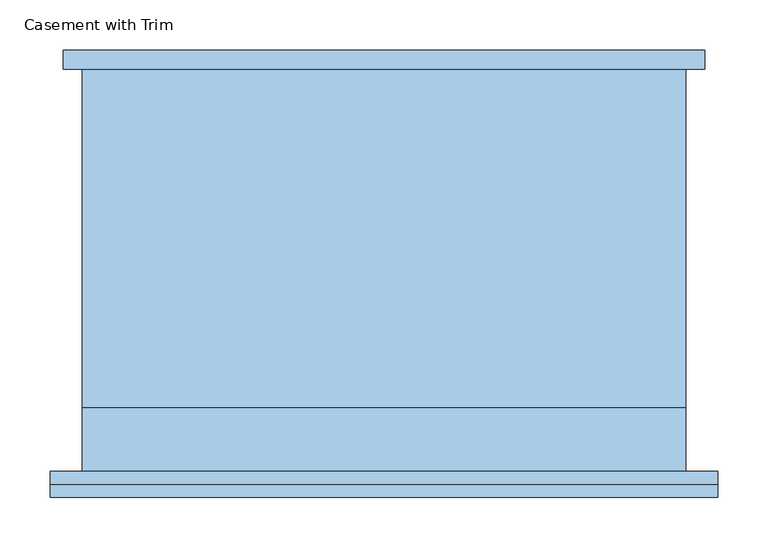
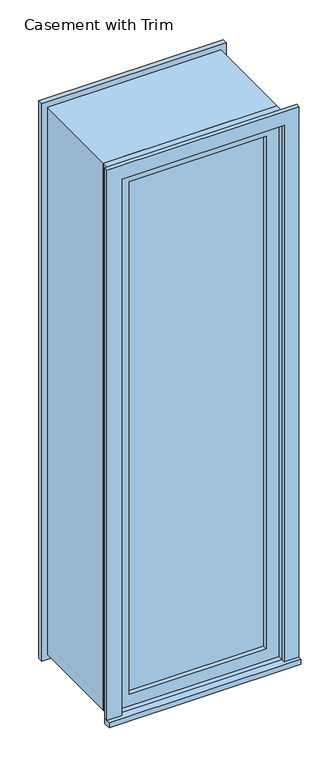
"""IFC4 building model written with IfcOpenShell, lengths in millimetres: window geometry, Casement with Trim."""

from ifc_helpers import new_model, si_unit, frame, origin, place, context, project, spatial, polyline, outline, extrude, source, transform, mapped, element, save


def casement_with_trim_3cda53f8(model_context):
    return source(origin(), model_context, "Body", "SweptSolid", [
        extrude(outline(polyline([(-331.75, -225.4), (-331.75, -200.0), (331.75, -200.0), (331.75, -225.4), (-331.75, -225.4)])), frame((0.0, 0.0, 914.4), z_axis=(0.0, 0.0, 1.0), x_axis=(1.0, 0.0, 0.0)), (0.0, 0.0, 1.0), 19.05),
        extrude(outline(polyline([(2895.35, -280.95), (2895.35, 280.95), (933.45, 280.95), (933.45, 331.75), (2946.15, 331.75), (2946.15, -331.75), (933.45, -331.75), (933.45, -280.95), (2895.35, -280.95)])), frame((0.0, -212.7, 0.0), z_axis=(0.0, 1.0, 0.0), x_axis=(0.0, 0.0, 1.0)), (0.0, 0.0, 1.0), 12.7),
        extrude(outline(polyline([(2933.45, 319.05), (2933.45, -319.05), (895.35, -319.05), (895.35, 319.05), (2933.45, 319.05)]), holes=[polyline([(2882.65, 268.25), (946.15, 268.25), (946.15, -268.25), (2882.65, -268.25), (2882.65, 268.25)])]), frame((0.0, 200.0, 0.0), z_axis=(0.0, 1.0, 0.0), x_axis=(0.0, 0.0, 1.0)), (0.0, 0.0, 1.0), 19.05),
        extrude(outline(polyline([(236.5, -152.375), (236.5, -165.075), (-236.5, -165.075), (-236.5, -152.375), (236.5, -152.375)])), frame((0.0, 0.0, 977.9), z_axis=(0.0, 0.0, 1.0), x_axis=(1.0, 0.0, 0.0)), (0.0, 0.0, 1.0), 1873.0),
        extrude(outline(polyline([(2895.35, -280.95), (933.45, -280.95), (933.45, 280.95), (2895.35, 280.95), (2895.35, -280.95)]), holes=[polyline([(2850.9, -236.5), (2850.9, 236.5), (977.9, 236.5), (977.9, -236.5), (2850.9, -236.5)])]), frame((0.0, -180.95, 0.0), z_axis=(0.0, 1.0, 0.0), x_axis=(0.0, 0.0, 1.0)), (0.0, 0.0, 1.0), 44.45),
        extrude(outline(polyline([(2914.4, -300.0), (914.4, -300.0), (914.4, 300.0), (2914.4, 300.0), (2914.4, -300.0)]), holes=[polyline([(2882.65, -268.25), (2882.65, 268.25), (946.15, 268.25), (946.15, -268.25), (2882.65, -268.25)])]), frame((0.0, -136.5, 0.0), z_axis=(0.0, 1.0, 0.0), x_axis=(0.0, 0.0, 1.0)), (0.0, 0.0, 1.0), 336.5),
        extrude(outline(polyline([(2914.4, 300.0), (2914.4, -300.0), (914.4, -300.0), (914.4, 300.0), (2914.4, 300.0)]), holes=[polyline([(2895.35, 280.95), (933.45, 280.95), (933.45, -280.95), (2895.35, -280.95), (2895.35, 280.95)])]), frame((0.0, -200.0, 0.0), z_axis=(0.0, 1.0, 0.0), x_axis=(0.0, 0.0, 1.0)), (0.0, 0.0, 1.0), 63.5),
    ])


if __name__ == "__main__":
    model = new_model("IFC4")
    model_context = context("Model", 3, world=origin())
    ifc_project = project(units=[si_unit("LENGTHUNIT", "METRE", prefix="MILLI")], contexts=[model_context])
    site = spatial("IfcSite", under=ifc_project)
    building = spatial("IfcBuilding", under=site)
    placement = place(None, origin())
    casement_with_trim_shape = casement_with_trim_3cda53f8(model_context)
    element("IfcWindow", 1, ObjectType="Casement with Trim", at=placement, inside=building, context=model_context, shape_type="MappedRepresentation", body=[
        mapped(casement_with_trim_shape, transform((0.0, 0.0, 0.0), x_axis=(1.0, 0.0, 0.0), y_axis=(0.0, 1.0, 0.0), z_axis=(0.0, 0.0, 1.0))),
    ])
    save(model, "model.ifc")
